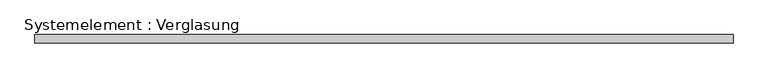
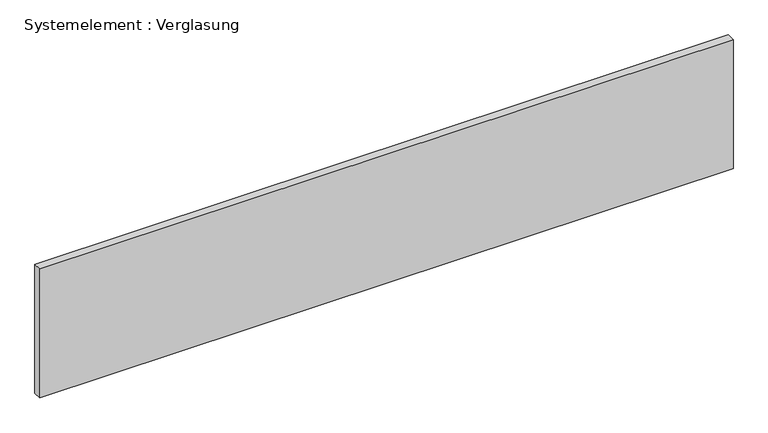
"""IFC4 building model written with IfcOpenShell, lengths in millimetres: plate geometry, Systemelement : Verglasung."""

from ifc_helpers import new_model, si_unit, origin, origin_with_axes, place, context, project, spatial, polyline, outline, extrude, source, transform, mapped, element, save


def systemelement_verglasung_f9eb2162(model_context):
    return source(origin(), model_context, "Body", "SweptSolid", [
        extrude(outline(polyline([(1244.9999999, -15.0), (-1244.9999999, -15.0), (-1244.9999999, 15.0), (1244.9999999, 15.0), (1244.9999999, -15.0)])), origin_with_axes(), (0.0, 0.0, 1.0), 490.0),
    ])


if __name__ == "__main__":
    model = new_model("IFC4")
    model_context = context("Model", 3, world=origin())
    ifc_project = project(units=[si_unit("LENGTHUNIT", "METRE", prefix="MILLI")], contexts=[model_context])
    site = spatial("IfcSite", under=ifc_project)
    building = spatial("IfcBuilding", under=site)
    placement = place(None, origin())
    systemelement_verglasung_shape = systemelement_verglasung_f9eb2162(model_context)
    element("IfcPlate", 1, ObjectType="Systemelement : Verglasung", at=placement, inside=building, context=model_context, shape_type="MappedRepresentation", body=[
        mapped(systemelement_verglasung_shape, transform((0.0, 0.0, 0.0), x_axis=(1.0, 0.0, 0.0), y_axis=(0.0, 1.0, 0.0), z_axis=(0.0, 0.0, 1.0))),
    ])
    save(model, "model.ifc")
